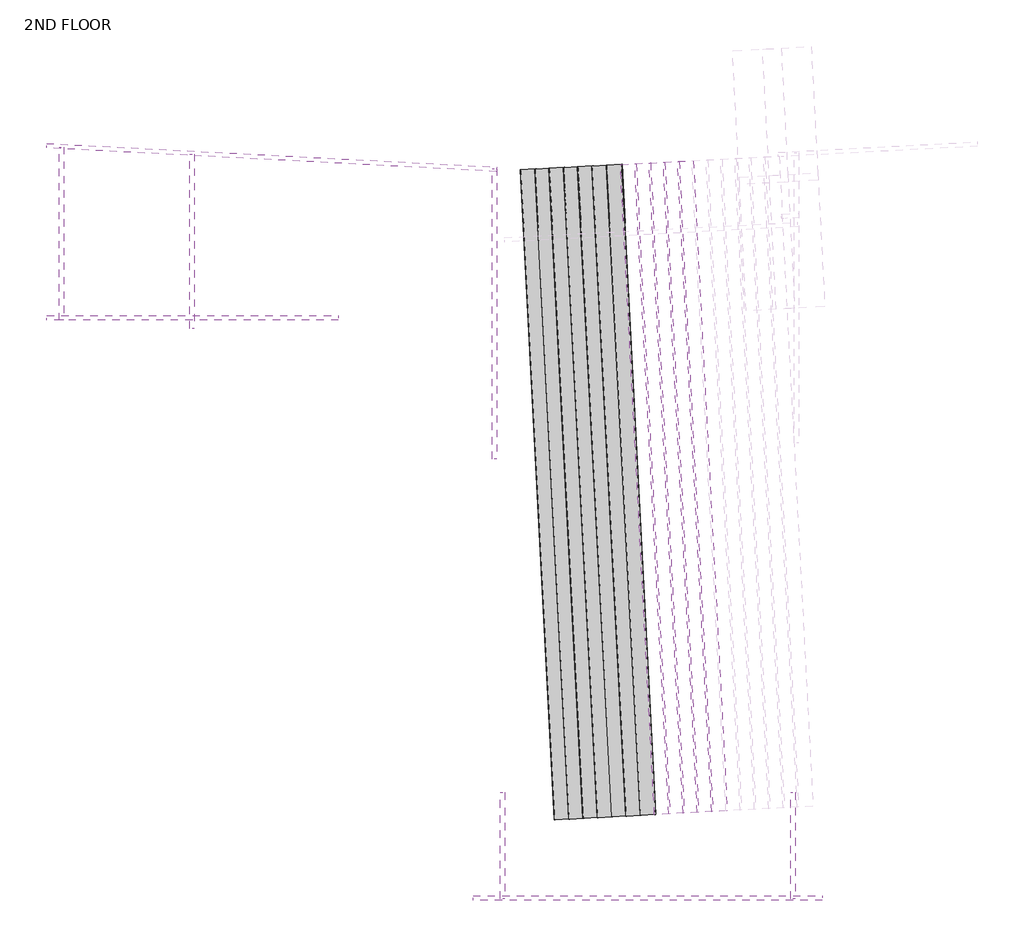
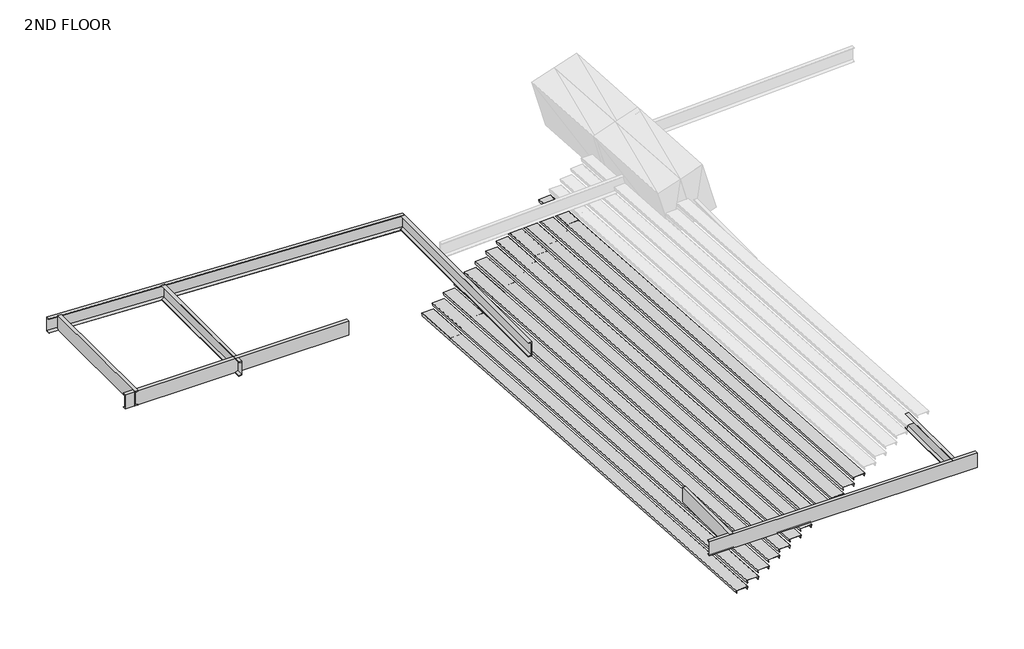
# One storey, part 1 of 2: 12 plates, 8 beams.
"""IFC4 building model written with IfcOpenShell, lengths in millimetres."""

import ifcopenshell
import ifcopenshell.guid

model = None  # the IFC model being written
_history = None  # IfcOwnerHistory: only IFC2X3 demands one
_inside = {}  # id of a spatial element -> (the spatial element, [elements in it])
_under = {}  # id of a project, library or spatial element -> (it, [spatial elements below it])
_declared = {}  # id of a project -> (the project, [libraries it declares])
_typed = {}  # id of a type object -> (the type object, [elements of that type])
_made_of = {}  # id of a material, layer set ... -> (it, [elements and type objects made of it])


def new_model(schema):
    """Start an empty IFC model of exactly this schema.

    Asked for "IFC4X3", IfcOpenShell would pick the latest addendum, in which some entities
    have other attributes; the version numbers below select the first issue.
    IFC2X3 requires an IfcOwnerHistory on every rooted entity: one is made here for all.
    """
    global model, _history
    if schema == "IFC4X3":
        model = ifcopenshell.file(schema_version=(4, 3, 0, 0))
    else:
        model = ifcopenshell.file(schema=schema)
    _inside.clear()
    _under.clear()
    _declared.clear()
    _typed.clear()
    _made_of.clear()
    _history = None
    if model.schema == "IFC2X3":
        org = make("IfcOrganization", Name="unknown")
        user = make(
            "IfcPersonAndOrganization",
            ThePerson=make("IfcPerson", FamilyName="unknown"),
            TheOrganization=org,
        )
        app = make(
            "IfcApplication",
            ApplicationDeveloper=org,
            Version="unknown",
            ApplicationFullName="unknown",
            ApplicationIdentifier="unknown",
        )
        _history = make(
            "IfcOwnerHistory",
            OwningUser=user,
            OwningApplication=app,
            ChangeAction="ADDED",
            CreationDate=0,
        )
    return model


def make(cls, **values):
    """One entity of the class cls with the attributes given. An attribute that is None is left unset."""
    return model.create_entity(
        cls, **{name: value for name, value in values.items() if value is not None}
    )


def rooted(cls, **values):
    """An entity with a GlobalId (a new one), such as an element, a storey or a relation."""
    return make(cls, GlobalId=ifcopenshell.guid.new(), OwnerHistory=_history, **values)


def si_unit(unit_type, name, prefix=None):
    """IfcSIUnit, for example si_unit("LENGTHUNIT", "METRE", prefix="MILLI")."""
    return make("IfcSIUnit", UnitType=unit_type, Prefix=prefix, Name=name)


def assignment(units):
    """IfcUnitAssignment: the units of a project."""
    return None if units is None else make("IfcUnitAssignment", Units=units)


def point(xyz):
    """IfcCartesianPoint."""
    return None if xyz is None else make("IfcCartesianPoint", Coordinates=xyz)


def direction(xyz):
    """IfcDirection."""
    return None if xyz is None else make("IfcDirection", DirectionRatios=xyz)


def frame(location, z_axis=None, x_axis=None):
    """IfcAxis2Placement3D, a coordinate frame: its origin and axes. An axis left out is left unset."""
    return make(
        "IfcAxis2Placement3D",
        Location=point(location),
        Axis=direction(z_axis),
        RefDirection=direction(x_axis),
    )


def origin():
    """The frame at (0, 0, 0) with its axes left unset."""
    return frame((0.0, 0.0, 0.0))


def place(relative_to, where):
    """IfcLocalPlacement: puts the frame where relative to a parent placement (None: the world)."""
    return make(
        "IfcLocalPlacement", PlacementRelTo=relative_to, RelativePlacement=where
    )


def context(
    kind, dimensions, precision=None, world=None, true_north=None, identifier=None
):
    """IfcGeometricRepresentationContext, for example the 3D "Model" context."""
    return make(
        "IfcGeometricRepresentationContext",
        ContextIdentifier=identifier,
        ContextType=kind,
        CoordinateSpaceDimension=dimensions,
        Precision=precision,
        WorldCoordinateSystem=world,
        TrueNorth=true_north,
    )


def project(units=None, contexts=None):
    """IfcProject with its units and contexts."""
    return rooted(
        "IfcProject",
        Name="project",
        RepresentationContexts=contexts,
        UnitsInContext=assignment(units),
    )


def spatial(cls, under=None, at=None, **own):
    """A site, building, storey or space (cls), placed at a placement, below another one or the project."""
    s = rooted(cls, ObjectPlacement=at, **own)
    if under is not None:
        _under.setdefault(under.id(), (under, []))[1].append(s)
    return s


def polyline(points):
    """IfcPolyline through the points."""
    return make("IfcPolyline", Points=[point(p) for p in points])


def outline(outer, holes=None, kind="AREA"):
    """IfcArbitraryClosedProfileDef: a profile drawn as a closed curve; with holes, ...WithVoids."""
    if holes is None:
        return make("IfcArbitraryClosedProfileDef", ProfileType=kind, OuterCurve=outer)
    return make(
        "IfcArbitraryProfileDefWithVoids",
        ProfileType=kind,
        OuterCurve=outer,
        InnerCurves=holes,
    )


def extrude(swept, where, along, depth):
    """IfcExtrudedAreaSolid: the profile swept, set in the frame where, extruded along a direction by depth."""
    return make(
        "IfcExtrudedAreaSolid",
        SweptArea=swept,
        Position=where,
        ExtrudedDirection=direction(along),
        Depth=depth,
    )


def faces_of(points, faces, orient=None, outer=None):
    """IfcFace entities. A face is a list of loops; a loop is a list of indices into points, from 0.

    orient and outer hold one flag for each loop. By default every Orientation is true, the
    first loop of a face is its IfcFaceOuterBound and the others are IfcFaceBound.
    """
    made = []
    for i, loops in enumerate(faces):
        bounds = []
        for j, loop in enumerate(loops):
            is_outer = j == 0 if outer is None else outer[i][j]
            bounds.append(
                make(
                    "IfcFaceOuterBound" if is_outer else "IfcFaceBound",
                    Bound=make("IfcPolyLoop", Polygon=[points[k] for k in loop]),
                    Orientation=True if orient is None else orient[i][j],
                )
            )
        made.append(make("IfcFace", Bounds=bounds))
    return made


def faceted_brep(points, faces, orient=None, outer=None, voids=None):
    """IfcFacetedBrep: a solid bounded by flat faces; with voids (closed shells), ...WithVoids."""
    shared = [point(p) for p in points]
    hull = make("IfcClosedShell", CfsFaces=faces_of(shared, faces, orient, outer))
    if voids is None:
        return make("IfcFacetedBrep", Outer=hull)
    return make(
        "IfcFacetedBrepWithVoids",
        Outer=hull,
        Voids=[
            make(cls, CfsFaces=faces_of(shared, fs, o, b)) for cls, fs, o, b in voids
        ],
    )


def shape(context_of_items, identifier, shape_type, items):
    """IfcShapeRepresentation: the items that make up one representation, for example the "Body"."""
    return make(
        "IfcShapeRepresentation",
        ContextOfItems=context_of_items,
        RepresentationIdentifier=identifier,
        RepresentationType=shape_type,
        Items=items,
    )


def made_of(thing, what):
    """Note that an element or type object is made of a material, layer set ...; save() writes the relation."""
    if what is not None:
        _made_of.setdefault(what.id(), (what, []))[1].append(thing)
    return thing


def element(
    cls,
    number,
    at=None,
    inside=None,
    cuts=None,
    type_object=None,
    material=None,
    context=None,
    identifier="Body",
    shape_type=None,
    held_by="IfcProductDefinitionShape",
    body=None,
    shapes=None,
    **own,
):
    """One element of the class cls, such as IfcWall. Its Tag is "e" and its number.

    at: its placement. inside: the storey or other place that contains it. cuts: it is an
    opening in that element (IfcRelVoidsElement). A single representation is given by context,
    identifier, shape_type and body (its items); several are given by shapes. held_by: the class
    of the entity that holds the representations. save() writes the other relations.
    """
    e = rooted(cls, Tag="e%d" % number, ObjectPlacement=at, **own)
    if body is not None:
        shapes = [shape(context, identifier, shape_type, body)]
    if shapes is not None:
        e.Representation = make(held_by, Representations=shapes)
    if inside is not None:
        _inside.setdefault(inside.id(), (inside, []))[1].append(e)
    if cuts is not None:
        rooted(
            "IfcRelVoidsElement", RelatingBuildingElement=cuts, RelatedOpeningElement=e
        )
    if type_object is not None:
        _typed.setdefault(type_object.id(), (type_object, []))[1].append(e)
    return made_of(e, material)


def aggregate(whole, parts):
    """IfcRelAggregates: a whole, such as a stair, and the parts it consists of."""
    return rooted("IfcRelAggregates", RelatingObject=whole, RelatedObjects=parts)


def save(model, path):
    """Write the relations noted so far, then the file.

    IfcRelAggregates (storeys below a building ...), IfcRelContainedInSpatialStructure (elements
    in a storey), IfcRelDefinesByType, IfcRelAssociatesMaterial and IfcRelDeclares: one each for
    every whole, place, type object, material and project.
    """
    for whole, parts in _under.values():
        aggregate(whole, parts)
    for where, things in _inside.values():
        rooted(
            "IfcRelContainedInSpatialStructure",
            RelatedElements=things,
            RelatingStructure=where,
        )
    for kind, things in _typed.values():
        rooted("IfcRelDefinesByType", RelatedObjects=things, RelatingType=kind)
    for what, things in _made_of.values():
        rooted("IfcRelAssociatesMaterial", RelatedObjects=things, RelatingMaterial=what)
    for by, libraries in _declared.values():
        rooted("IfcRelDeclares", RelatingContext=by, RelatedDefinitions=libraries)
    model.write(path)


model = new_model("IFC4")

# Units and contexts
model_context = context("Model", 3, world=origin())
ifc_project = project(units=[si_unit("LENGTHUNIT", "METRE", prefix="MILLI")], contexts=[model_context])

# Site, building, storey
site = spatial("IfcSite", under=ifc_project)
building = spatial("IfcBuilding", under=site)
storey = spatial("IfcBuildingStorey", under=building, Name="2ND FLOOR", Elevation=3292.475)

# Beams
placement = place(None, origin())
element("IfcBeam", 1, ObjectType="Steel Beam C 15x33.9", at=placement, inside=storey, context=model_context, shape_type="SweptSolid", body=[
    extrude(outline(polyline([(45.7199842, -190.5000041), (-40.6400182, -190.4999964), (-40.6400174, -181.6521663), (35.5599868, -159.7935192), (35.5600154, 159.7935128), (-40.6399849, 181.6521735), (-40.6399841, 190.5000036), (45.7200183, 190.4999959), (45.7199842, -190.5000041)])), frame((-82452.6247976, 292341.2855464, 6054.7234909), z_axis=(0.9999999999999962, -7.549789415861573e-08, 4.3711388286737744e-08), x_axis=(-7.549789415861566e-08, -0.9999999999999972, 0.0)), (0.0, 0.0, 1.0), 5684.5202446),
])
element("IfcBeam", 2, ObjectType="Steel Beam C 15x33.9", at=placement, inside=storey, context=model_context, shape_type="SweptSolid", body=[
    extrude(outline(polyline([(-190.5, -45.7200012), (-190.5, 40.6400012), (-181.6521699, 40.6400012), (-159.7935159, -35.5600011), (159.793516, -35.5600011), (181.65217, 40.6400012), (190.5, 40.6400012), (190.5, -45.7200012), (-190.5, -45.7200012)])), frame((-67907.6605363, 281007.8279968, 6054.7241258), z_axis=(-1.5099580252808516e-07, 0.9999999999999877, 4.371138828673737e-08), x_axis=(0.0, 4.371138828673688e-08, -0.9999999999999991)), (0.0, 0.0, 1.0), 2075.1798153),
])
element("IfcBeam", 3, ObjectType="Steel Beam C 15x33.9", at=placement, inside=storey, context=model_context, shape_type="SweptSolid", body=[
    extrude(outline(polyline([(190.5, 45.7200013), (190.5, -40.6400011), (181.6521699, -40.6400011), (159.793516, 35.5600011), (-159.793516, 35.5600011), (-181.6521699, -40.6400011), (-190.5, -40.6400011), (-190.5, 45.7200013), (190.5, 45.7200013)])), frame((-73563.4771508, 281007.8279972, 6054.5977639), z_axis=(0.0, 0.9999999999999991, 4.371138828673786e-08), x_axis=(0.0, 4.371138828673786e-08, -0.9999999999999991)), (0.0, 0.0, 1.0), 2075.1798153),
])
element("IfcBeam", 4, ObjectType="Steel Beam C 15x33.9", at=placement, inside=storey, context=model_context, shape_type="SweptSolid", body=[
    extrude(outline(polyline([(-45.7200012, 190.5), (40.6400012, 190.5), (40.6400012, 181.6521699), (-35.5600011, 159.7935159), (-35.5600011, -159.793516), (40.6400012, -181.6521699), (40.6400012, -190.5), (-45.7200012, -190.5), (-45.7200012, 190.5)])), frame((-67331.8457605, 281028.1445456, 6054.7243957), z_axis=(-0.9999999999999981, -4.371138828673782e-08, 4.371138828673782e-08), x_axis=(-4.371138828673778e-08, 0.9999999999999991, 0.0)), (0.0, 0.0, 1.0), 6807.199955),
])
element("IfcBeam", 5, ObjectType="Steel Beam C 15x33.9", at=placement, inside=storey, context=model_context, shape_type="SweptSolid", body=[
    extrude(outline(polyline([(-190.5, -45.7200013), (-190.5, 40.6400012), (-181.6521699, 40.6400012), (-159.793516, -35.5600011), (159.7935159, -35.5600011), (181.6521699, 40.6400012), (190.5, 40.6400012), (190.5, -45.7200013), (-190.5, -45.7200013)])), frame((-73728.5769271, 295253.8909908, 6054.7239689), z_axis=(1.5099580252808516e-07, -0.9999999999999877, 4.3711388286737366e-08), x_axis=(0.0, 4.371138828673687e-08, 0.9999999999999991)), (0.0, 0.0, 1.0), 5664.1998291),
])
element("IfcBeam", 6, ObjectType="Steel Beam C 15x33.9", at=placement, inside=storey, context=model_context, shape_type="SweptSolid", body=[
    extrude(outline(polyline([(-190.499996, 45.7200179), (190.500004, 45.7199846), (190.4999965, -40.6400178), (181.6521664, -40.640017), (159.7935191, 35.5599871), (-159.7935128, 35.5600151), (-181.6521734, -40.6399853), (-190.5000035, -40.6399845), (-190.499996, 45.7200179)])), frame((-82163.4069604, 292293.457031, 6054.7242167), z_axis=(8.742277657347547e-08, 0.9999999999999952, 4.37113882867377e-08), x_axis=(0.0, 4.371138828673753e-08, -0.9999999999999991)), (0.0, 0.0, 1.0), 3378.2000542),
])
element("IfcBeam", 7, ObjectType="Steel Beam C 15x33.9", at=placement, inside=storey, context=model_context, shape_type="SweptSolid", body=[
    extrude(outline(polyline([(-190.5, -45.7200013), (-190.5, 40.6400012), (-181.6521699, 40.6400012), (-159.793516, -35.5600011), (159.7935159, -35.5600011), (181.6521699, 40.6400012), (190.5, 40.6400012), (190.5, -45.7200013), (-190.5, -45.7200013)])), frame((-79621.3759632, 295537.6026627, 6054.7240677), z_axis=(1.5099580252808516e-07, -0.9999999999999877, 4.3711388286737366e-08), x_axis=(0.0, 4.371138828673687e-08, 0.9999999999999991)), (0.0, 0.0, 1.0), 3403.5999775),
])
element("IfcBeam", 8, ObjectType="Steel Beam C 15x33.9", at=placement, inside=storey, context=model_context, shape_type="SweptSolid", body=[
    extrude(outline(polyline([(45.7235714, -190.4991432), (-40.636431, -190.5007616), (-40.6365969, -181.6529315), (35.5629958, -159.7928495), (35.5570065, 159.7941824), (-40.6434055, 181.6514083), (-40.6435712, 190.4992383), (45.7164312, 190.5008568), (45.7235714, -190.4991432)])), frame((-82454.4986363, 295696.3287948, 6054.714982), z_axis=(0.9986295355205477, -0.05233594161778966, 9.973856800415788e-07), x_axis=(0.05233594162729343, 0.9986295353392047, -1.903125782063581e-05)), (0.0, 0.0, 1.0), 8781.288147),
])

# Plates
element("IfcPlate", 9, ObjectType="Stair Step", at=placement, inside=storey, context=model_context, shape_type="SolidModel", body=[
    faceted_brep([(-69489.8862079, 282708.3884098, 5307.7830794), (-69477.2036083, 282709.0530992, 5231.5830803), (-69470.9485521, 282709.3809072, 5232.6270208), (-69481.5156945, 282708.8270856, 5301.43308), (-69193.8744252, 282723.9014858, 5301.4331017), (-69204.4415603, 282723.3477245, 5232.6270409), (-69198.1865041, 282723.6755333, 5231.5831014), (-69185.5039124, 282724.340156, 5307.7831023), (-70154.5422828, 295390.9837904, 5307.7836252), (-69850.1599874, 295406.9355366, 5307.7836482), (-69862.842579, 295406.2709139, 5231.5836472), (-69869.0976352, 295405.9431051, 5232.6275868), (-69858.5305002, 295406.4968664, 5301.4336476), (-70146.1717694, 295391.4224662, 5301.4336259), (-70135.6046271, 295391.9762878, 5232.6275667), (-70141.8596832, 295391.6484799, 5231.5836262)], [[[0, 1, 2, 3, 4, 5, 6, 7]], [[8, 9, 10, 11, 12, 13, 14, 15]], [[1, 0, 8, 15]], [[2, 1, 15, 14]], [[3, 2, 14, 13]], [[4, 3, 13, 12]], [[5, 4, 12, 11]], [[6, 5, 11, 10]], [[7, 6, 10, 9]], [[0, 7, 9, 8]]]),
    extrude(outline(polyline([(39.426515, -152.4000001), (-36.773485, -139.7), (-35.7295451, -133.43636), (33.0765149, -144.018), (33.076515, 144.018), (-35.729545, 133.43636), (-36.7734851, 139.7), (39.426515, 152.4), (39.426515, -152.4000001)])), frame((-69996.0098237, 295399.2919922, 5268.3570887), z_axis=(0.052335139159052316, -0.998629577575791, 3.951192972131066e-09), x_axis=(-7.549790125374674e-08, 0.0, 0.9999999999999972)), (0.0, 0.0, 1.0), 1143.0),
])
element("IfcPlate", 10, ObjectType="Stair Step", at=placement, inside=storey, context=model_context, shape_type="SolidModel", body=[
    faceted_brep([(-72554.9207531, 282547.5915316, 3425.4686961), (-72542.2381447, 282548.2562272, 3349.2686986), (-72535.9830888, 282548.5840381, 3350.3126398), (-72546.5502391, 282548.0302114, 3419.1186977), (-72258.908977, 282563.1047486, 3419.1187537), (-72269.4761037, 282562.5509823, 3350.3126917), (-72263.2210475, 282562.8787941, 3349.2687529), (-72250.5384652, 282563.5434228, 3425.4687554), (-73219.5828673, 295230.1865957, 3425.4691627), (-72915.2005794, 295246.1384869, 3425.469222), (-72927.8831616, 295245.4738582, 3349.2692195), (-72934.1382178, 295245.1460464, 3350.3131583), (-72923.5710912, 295245.6998127, 3419.1192204), (-73211.2123532, 295230.6252755, 3419.1191644), (-73200.645203, 295231.1791022, 3350.3131064), (-73206.9002588, 295230.8512913, 3349.2691652)], [[[0, 1, 2, 3, 4, 5, 6, 7]], [[8, 9, 10, 11, 12, 13, 14, 15]], [[1, 0, 8, 15]], [[2, 1, 15, 14]], [[3, 2, 14, 13]], [[4, 3, 13, 12]], [[5, 4, 12, 11]], [[6, 5, 11, 10]], [[7, 6, 10, 9]], [[0, 7, 9, 8]]]),
    extrude(outline(polyline([(39.426515, -152.4000001), (-36.7734851, -139.7), (-35.729545, -133.4363601), (33.076515, -144.018), (33.076515, 144.0179999), (-35.7295451, 133.43636), (-36.773485, 139.7), (39.4265149, 152.4), (39.426515, -152.4000001)])), frame((-73061.0504074, 295238.494873, 3386.0426451), z_axis=(0.05233561469018356, -0.998629552654537, 1.0190120290174975e-08), x_axis=(-1.9470718371704214e-07, 0.0, 0.9999999999999811)), (0.0, 0.0, 1.0), 1143.0),
])
element("IfcPlate", 11, ObjectType="Stair Step", at=placement, inside=storey, context=model_context, shape_type="SolidModel", body=[
    faceted_brep([(-70047.1661913, 282679.1526302, 4965.5441763), (-70034.4835917, 282679.8173212, 4889.3441773), (-70028.2285356, 282680.1451298, 4890.3881177), (-70038.7956778, 282679.591307, 4959.1941769), (-69751.1544104, 282694.6657414, 4959.1941987), (-69761.7215454, 282694.1119789, 4890.3881379), (-69755.4664892, 282694.4397885, 4889.3441983), (-69742.7838977, 282695.1044127, 4965.5441993), (-70711.823776, 295361.7479316, 4965.5447222), (-70407.4414824, 295377.6997142, 4965.5447452), (-70420.124074, 295377.0350899, 4889.3447442), (-70426.3791302, 295376.7072804, 4890.3886837), (-70415.8119952, 295377.2610429, 4959.1947445), (-70703.4532626, 295362.1866084, 4959.1947228), (-70692.8861203, 295362.7404313, 4890.3886636), (-70699.1411764, 295362.4126227, 4889.3447231)], [[[0, 1, 2, 3, 4, 5, 6, 7]], [[8, 9, 10, 11, 12, 13, 14, 15]], [[1, 0, 8, 15]], [[2, 1, 15, 14]], [[3, 2, 14, 13]], [[4, 3, 13, 12]], [[5, 4, 12, 11]], [[6, 5, 11, 10]], [[7, 6, 10, 9]], [[0, 7, 9, 8]]]),
    extrude(outline(polyline([(39.426515, -152.4), (-36.7734849, -139.7), (-35.729545, -133.43636), (33.076515, -144.018), (33.0765151, 144.018), (-35.7295449, 133.43636), (-36.773485, 139.7000001), (39.426515, 152.4), (39.426515, -152.4)])), frame((-70553.2913178, 295370.0561523, 4926.1181856), z_axis=(0.05233525804183852, -0.9986295713454987, 3.9512018292649394e-09), x_axis=(-7.549790124755717e-08, 0.0, 0.9999999999999972)), (0.0, 0.0, 1.0), 1143.0),
])
element("IfcPlate", 12, ObjectType="Stair Step", at=placement, inside=storey, context=model_context, shape_type="SolidModel", body=[
    faceted_brep([(-71719.0000227, 282591.4452311, 3938.8270507), (-71706.3174142, 282592.1099252, 3862.6270531), (-71700.0623583, 282592.4377353, 3863.6709944), (-71710.6295086, 282591.8839099, 3932.4770523), (-71422.9882448, 282606.9584129, 3932.4771083), (-71433.5553715, 282606.4046478, 3863.6710463), (-71427.3003152, 282606.7324589, 3862.6271075), (-71414.6177329, 282607.3970861, 3938.8271099), (-72383.660627, 295274.0403744, 3938.8275173), (-72079.2783373, 295289.9922293, 3938.8275766), (-72091.9609196, 295289.3276021, 3862.6275741), (-72098.2159758, 295288.999791, 3863.6715129), (-72087.6488491, 295289.5535561, 3932.4775749), (-72375.290113, 295274.4790532, 3932.4775189), (-72364.7229627, 295275.0328786, 3863.671461), (-72370.9780185, 295274.7050684, 3862.6275198)], [[[0, 1, 2, 3, 4, 5, 6, 7]], [[8, 9, 10, 11, 12, 13, 14, 15]], [[1, 0, 8, 15]], [[2, 1, 15, 14]], [[3, 2, 14, 13]], [[4, 3, 13, 12]], [[5, 4, 12, 11]], [[6, 5, 11, 10]], [[7, 6, 10, 9]], [[0, 7, 9, 8]]]),
    extrude(outline(polyline([(39.4265151, -152.4), (-36.773485, -139.7000001), (-35.7295449, -133.43636), (33.0765151, -144.018), (33.076515, 144.0179999), (-35.729545, 133.4363599), (-36.7734849, 139.7), (39.426515, 152.3999999), (39.4265151, -152.4)])), frame((-72225.1281662, 295282.3486328, 3899.4009996), z_axis=(0.052335495807404146, -0.9986295588848717, 1.0190097261109938e-08), x_axis=(-1.9470718372323162e-07, 0.0, 0.9999999999999811)), (0.0, 0.0, 1.0), 1143.0),
])
element("IfcPlate", 13, ObjectType="Stair Step", at=placement, inside=storey, context=model_context, shape_type="SolidModel", body=[
    faceted_brep([(-71440.3622972, 282606.0630306, 4109.9466803), (-71427.6796976, 282606.7277216, 4033.7466812), (-71421.4246416, 282607.0555302, 4034.7906217), (-71431.9917838, 282606.5017074, 4103.5966809), (-71144.3505164, 282621.5761418, 4103.5967026), (-71154.9176514, 282621.0223793, 4034.7906418), (-71148.6625952, 282621.3501889, 4033.7467023), (-71135.9800036, 282622.0148131, 4109.9467033), (-72105.0198819, 295288.658332, 4109.9472261), (-71800.6375884, 295304.6101145, 4109.9472491), (-71813.3201799, 295303.9454903, 4033.7472482), (-71819.5752361, 295303.6176808, 4034.7911877), (-71809.0081011, 295304.1714433, 4103.5972485), (-72096.6493685, 295289.0970088, 4103.5972268), (-72086.0822263, 295289.6508317, 4034.7911676), (-72092.3372824, 295289.323023, 4033.7472271)], [[[0, 1, 2, 3, 4, 5, 6, 7]], [[8, 9, 10, 11, 12, 13, 14, 15]], [[1, 0, 8, 15]], [[2, 1, 15, 14]], [[3, 2, 14, 13]], [[4, 3, 13, 12]], [[5, 4, 12, 11]], [[6, 5, 11, 10]], [[7, 6, 10, 9]], [[0, 7, 9, 8]]]),
    extrude(outline(polyline([(39.426515, -152.4), (-36.773485, -139.7), (-35.729545, -133.43636), (33.0765149, -144.018), (33.076515, 144.018), (-35.729545, 133.43636), (-36.773485, 139.7), (39.426515, 152.3999999), (39.426515, -152.4)])), frame((-71946.4874238, 295296.9665527, 4070.5206896), z_axis=(0.05233525804183852, -0.9986295713454987, 3.9512018292649394e-09), x_axis=(-7.549790124755717e-08, 0.0, 0.9999999999999972)), (0.0, 0.0, 1.0), 1143.0),
])
element("IfcPlate", 14, ObjectType="Stair Step", at=placement, inside=storey, context=model_context, shape_type="SolidModel", body=[
    faceted_brep([(-71161.7230609, 282620.6808902, 4281.0658934), (-71149.0404613, 282621.3455797, 4204.8658943), (-71142.7854052, 282621.6733876, 4205.9098348), (-71153.3525475, 282621.119566, 4274.715894), (-70865.7112783, 282636.1939663, 4274.7159157), (-70876.2784133, 282635.640205, 4205.9098549), (-70870.0233571, 282635.9680138, 4204.8659154), (-70857.3407655, 282636.6326365, 4281.0659164), (-71826.3791359, 295303.2762708, 4281.0664393), (-71521.9968404, 295319.2280171, 4281.0664622), (-71534.679432, 295318.5633944, 4204.8664613), (-71540.9344883, 295318.2355856, 4205.9104008), (-71530.3673532, 295318.7893469, 4274.7164616), (-71818.0086224, 295303.7149466, 4274.7164399), (-71807.4414801, 295304.2687683, 4205.9103807), (-71813.6965362, 295303.9409603, 4204.8664402)], [[[0, 1, 2, 3, 4, 5, 6, 7]], [[8, 9, 10, 11, 12, 13, 14, 15]], [[1, 0, 8, 15]], [[2, 1, 15, 14]], [[3, 2, 14, 13]], [[4, 3, 13, 12]], [[5, 4, 12, 11]], [[6, 5, 11, 10]], [[7, 6, 10, 9]], [[0, 7, 9, 8]]]),
    extrude(outline(polyline([(39.426515, -152.4), (-36.773485, -139.7), (-35.729545, -133.43636), (33.076515, -144.018), (33.076515, 144.018), (-35.729545, 133.43636), (-36.773485, 139.7), (39.426515, 152.4), (39.426515, -152.4)])), frame((-71667.8466767, 295311.5844727, 4241.6399027), z_axis=(0.052335139159052316, -0.998629577575791, 3.951192972131066e-09), x_axis=(-7.549790125374674e-08, 0.0, 0.9999999999999972)), (0.0, 0.0, 1.0), 1143.0),
])
element("IfcPlate", 15, ObjectType="Stair Step", at=placement, inside=storey, context=model_context, shape_type="SolidModel", body=[
    faceted_brep([(-70883.0854109, 282635.2989909, 4452.1856437), (-70870.4028024, 282635.9636849, 4375.9856461), (-70864.1477465, 282636.2914951, 4377.0295874), (-70874.7148968, 282635.7376697, 4445.8356453), (-70587.073633, 282650.8121726, 4445.8357013), (-70597.6407596, 282650.2584076, 4377.0296392), (-70591.3857034, 282650.5862187, 4375.9857005), (-70578.7031211, 282651.2508459, 4452.1857029), (-71547.7460152, 295317.8941341, 4452.1861103), (-71243.3637254, 295333.8459891, 4452.1861696), (-71256.0463078, 295333.1813619, 4375.9861671), (-71262.301364, 295332.8535508, 4377.0301059), (-71251.7342373, 295333.4073159, 4445.8361679), (-71539.3755012, 295318.3328129, 4445.8361119), (-71528.8083508, 295318.8866383, 4377.030054), (-71535.0634067, 295318.5588282, 4375.9861128)], [[[0, 1, 2, 3, 4, 5, 6, 7]], [[8, 9, 10, 11, 12, 13, 14, 15]], [[1, 0, 8, 15]], [[2, 1, 15, 14]], [[3, 2, 14, 13]], [[4, 3, 13, 12]], [[5, 4, 12, 11]], [[6, 5, 11, 10]], [[7, 6, 10, 9]], [[0, 7, 9, 8]]]),
    extrude(outline(polyline([(39.4265151, -152.4), (-36.773485, -139.7), (-35.7295449, -133.4363599), (33.076515, -144.0179999), (33.076515, 144.0180001), (-35.729545, 133.43636), (-36.7734849, 139.7000001), (39.426515, 152.4000001), (39.4265151, -152.4)])), frame((-71389.2135543, 295326.2023926, 4412.7595926), z_axis=(0.052335495807404146, -0.9986295588848717, 1.0190097261109938e-08), x_axis=(-1.9470718372323162e-07, 0.0, 0.9999999999999811)), (0.0, 0.0, 1.0), 1143.0),
])
element("IfcPlate", 16, ObjectType="Stair Step", at=placement, inside=storey, context=model_context, shape_type="SolidModel", body=[
    faceted_brep([(-70604.4476854, 282649.9167903, 4623.3052733), (-70591.7650858, 282650.5814813, 4547.1052742), (-70585.5100297, 282650.90929, 4548.1492147), (-70596.077172, 282650.3554671, 4616.9552739), (-70308.4359046, 282665.4299016, 4616.9552956), (-70319.0030396, 282664.876139, 4548.1492348), (-70312.7479834, 282665.2039486, 4547.1052953), (-70300.0653918, 282665.8685728, 4623.3052963), (-71269.1052701, 295332.5120918, 4623.3058191), (-70964.7229766, 295348.4638743, 4623.3058421), (-70977.4055681, 295347.7992501, 4547.1058412), (-70983.6606243, 295347.4714405, 4548.1497807), (-70973.0934893, 295348.0252031, 4616.9558415), (-71260.7347567, 295332.9507686, 4616.9558198), (-71250.1676145, 295333.5045915, 4548.1497606), (-71256.4226706, 295333.1767828, 4547.1058201)], [[[0, 1, 2, 3, 4, 5, 6, 7]], [[8, 9, 10, 11, 12, 13, 14, 15]], [[1, 0, 8, 15]], [[2, 1, 15, 14]], [[3, 2, 14, 13]], [[4, 3, 13, 12]], [[5, 4, 12, 11]], [[6, 5, 11, 10]], [[7, 6, 10, 9]], [[0, 7, 9, 8]]]),
    extrude(outline(polyline([(39.426515, -152.4), (-36.773485, -139.7), (-35.7295451, -133.43636), (33.0765149, -144.018), (33.076515, 144.018), (-35.729545, 133.43636), (-36.7734851, 139.7), (39.426515, 152.3999999), (39.426515, -152.4)])), frame((-71110.572812, 295340.8203125, 4583.8792826), z_axis=(0.05233525804183852, -0.9986295713454987, 3.9512018292649394e-09), x_axis=(-7.549790124755717e-08, 0.0, 0.9999999999999972)), (0.0, 0.0, 1.0), 1143.0),
])
element("IfcPlate", 17, ObjectType="Stair Step", at=placement, inside=storey, context=model_context, shape_type="SolidModel", body=[
    faceted_brep([(-72276.2815168, 282562.2093913, 3596.5881476), (-72263.5989083, 282562.8740853, 3520.3881501), (-72257.3438524, 282563.2018955, 3521.4320913), (-72267.9110028, 282562.6480701, 3590.2381493), (-71980.2697389, 282577.722573, 3590.2382053), (-71990.8368656, 282577.168808, 3521.4321432), (-71984.5818094, 282577.496619, 3520.3882044), (-71971.8992271, 282578.1612463, 3596.5882069), (-72940.9421212, 295244.8045345, 3596.5886143), (-72636.5598314, 295260.7563895, 3596.5886735), (-72649.2424137, 295260.0917623, 3520.3886711), (-72655.49747, 295259.7639512, 3521.4326098), (-72644.9303433, 295260.3177163, 3590.2386719), (-72932.5716071, 295245.2432133, 3590.2386159), (-72922.0044568, 295245.7970387, 3521.432558), (-72928.2595127, 295245.4692286, 3520.3886167)], [[[0, 1, 2, 3, 4, 5, 6, 7]], [[8, 9, 10, 11, 12, 13, 14, 15]], [[1, 0, 8, 15]], [[2, 1, 15, 14]], [[3, 2, 14, 13]], [[4, 3, 13, 12]], [[5, 4, 12, 11]], [[6, 5, 11, 10]], [[7, 6, 10, 9]], [[0, 7, 9, 8]]]),
    extrude(outline(polyline([(39.426515, -152.4), (-36.773485, -139.7), (-35.729545, -133.43636), (33.076515, -144.018), (33.076515, 144.018), (-35.729545, 133.43636), (-36.773485, 139.7), (39.426515, 152.4), (39.426515, -152.4)])), frame((-72782.4096603, 295253.112793, 3557.1620966), z_axis=(0.052335495807404146, -0.9986295588848717, 1.0190097261109938e-08), x_axis=(-1.9470718372323162e-07, 0.0, 0.9999999999999811)), (0.0, 0.0, 1.0), 1143.0),
])
element("IfcPlate", 18, ObjectType="Stair Step", at=placement, inside=storey, context=model_context, shape_type="SolidModel", body=[
    faceted_brep([(-71997.6437913, 282576.8271907, 3767.7073004), (-71984.9611918, 282577.4918817, 3691.5073014), (-71978.7061357, 282577.8196904, 3692.5512418), (-71989.2732779, 282577.2658675, 3761.357301), (-71701.6320105, 282592.340302, 3761.3573227), (-71712.1991455, 282591.7865394, 3692.551262), (-71705.9440893, 282592.114349, 3691.5073224), (-71693.2614978, 282592.7789732, 3767.7073234), (-72662.3013761, 295259.4224922, 3767.7078463), (-72357.9190825, 295275.3742747, 3767.7078692), (-72370.6016741, 295274.7096505, 3691.5078683), (-72376.8567303, 295274.3818409, 3692.5518078), (-72366.2895953, 295274.9356035, 3761.3578686), (-72653.9308627, 295259.861169, 3761.3578469), (-72643.3637204, 295260.4149919, 3692.5517877), (-72649.6187765, 295260.0871832, 3691.5078472)], [[[0, 1, 2, 3, 4, 5, 6, 7]], [[8, 9, 10, 11, 12, 13, 14, 15]], [[1, 0, 8, 15]], [[2, 1, 15, 14]], [[3, 2, 14, 13]], [[4, 3, 13, 12]], [[5, 4, 12, 11]], [[6, 5, 11, 10]], [[7, 6, 10, 9]], [[0, 7, 9, 8]]]),
    extrude(outline(polyline([(39.426515, -152.4), (-36.773485, -139.7), (-35.729545, -133.43636), (33.076515, -144.018), (33.076515, 144.018), (-35.729545, 133.43636), (-36.773485, 139.7000001), (39.426515, 152.4), (39.426515, -152.4)])), frame((-72503.7689179, 295267.7307129, 3728.2813097), z_axis=(0.05233525804183852, -0.9986295713454987, 3.9512018292649394e-09), x_axis=(-7.549790124755717e-08, 0.0, 0.9999999999999972)), (0.0, 0.0, 1.0), 1143.0),
])
element("IfcPlate", 19, ObjectType="Stair Step", at=placement, inside=storey, context=model_context, shape_type="SolidModel", body=[
    faceted_brep([(-70325.8084491, 282664.53465, 4794.4244864), (-70313.1258495, 282665.1993395, 4718.2244873), (-70306.8707934, 282665.5271474, 4719.2684278), (-70317.4379357, 282664.9733258, 4788.074487), (-70029.7966665, 282680.047726, 4788.0745087), (-70040.3638015, 282679.4939647, 4719.2684479), (-70034.1087453, 282679.8217736, 4718.2245084), (-70021.4261537, 282680.4863963, 4794.4245094), (-70990.464524, 295347.1300306, 4794.4250322), (-70686.0822286, 295363.0817769, 4794.4250552), (-70698.7648202, 295362.4171542, 4718.2250543), (-70705.0198764, 295362.0893453, 4719.2689938), (-70694.4527414, 295362.6431066, 4788.0750546), (-70982.0940106, 295347.5687064, 4788.0750329), (-70971.5268683, 295348.122528, 4719.2689737), (-70977.7819244, 295347.7947201, 4718.2250332)], [[[0, 1, 2, 3, 4, 5, 6, 7]], [[8, 9, 10, 11, 12, 13, 14, 15]], [[1, 0, 8, 15]], [[2, 1, 15, 14]], [[3, 2, 14, 13]], [[4, 3, 13, 12]], [[5, 4, 12, 11]], [[6, 5, 11, 10]], [[7, 6, 10, 9]], [[0, 7, 9, 8]]]),
    extrude(outline(polyline([(39.426515, -152.4000001), (-36.773485, -139.7), (-35.7295451, -133.43636), (33.0765149, -144.018), (33.076515, 144.018), (-35.729545, 133.43636), (-36.7734851, 139.7), (39.426515, 152.4), (39.426515, -152.4000001)])), frame((-70831.9320649, 295355.4382324, 4754.9984957), z_axis=(0.052335139159052316, -0.998629577575791, 3.951192972131066e-09), x_axis=(-7.549790125374674e-08, 0.0, 0.9999999999999972)), (0.0, 0.0, 1.0), 1143.0),
])
element("IfcPlate", 20, ObjectType="Stair Step", at=placement, inside=storey, context=model_context, shape_type="SolidModel", body=[
    faceted_brep([(-69768.526955, 282693.7704898, 5136.6638663), (-69755.8443553, 282694.4351793, 5060.4638672), (-69749.5892992, 282694.7629873, 5061.5078077), (-69760.1564415, 282694.2091656, 5130.3138669), (-69472.5151723, 282709.2835659, 5130.3138886), (-69483.0823074, 282708.7298046, 5061.5078278), (-69476.8272512, 282709.0576134, 5060.4638883), (-69464.1446595, 282709.7222361, 5136.6638892), (-70433.1830299, 295376.3658704, 5136.6644121), (-70128.8007344, 295392.3176167, 5136.6644351), (-70141.4833261, 295391.652994, 5060.4644341), (-70147.7383823, 295391.3251852, 5061.5083737), (-70137.1712472, 295391.8789465, 5130.3144345), (-70424.8125164, 295376.8045462, 5130.3144128), (-70414.2453741, 295377.3583679, 5061.5083536), (-70420.5004303, 295377.0305599, 5060.4644131)], [[[0, 1, 2, 3, 4, 5, 6, 7]], [[8, 9, 10, 11, 12, 13, 14, 15]], [[1, 0, 8, 15]], [[2, 1, 15, 14]], [[3, 2, 14, 13]], [[4, 3, 13, 12]], [[5, 4, 12, 11]], [[6, 5, 11, 10]], [[7, 6, 10, 9]], [[0, 7, 9, 8]]]),
    extrude(outline(polyline([(39.426515, -152.4000001), (-36.773485, -139.7), (-35.7295451, -133.4363601), (33.0765149, -144.0180001), (33.076515, 144.018), (-35.729545, 133.43636), (-36.7734851, 139.7), (39.426515, 152.4), (39.426515, -152.4000001)])), frame((-70274.6505708, 295384.6740723, 5097.2378756), z_axis=(0.052335139159052316, -0.998629577575791, 3.951192972131066e-09), x_axis=(-7.549790125374674e-08, 0.0, 0.9999999999999972)), (0.0, 0.0, 1.0), 1143.0),
])

save(model, "model.ifc")
